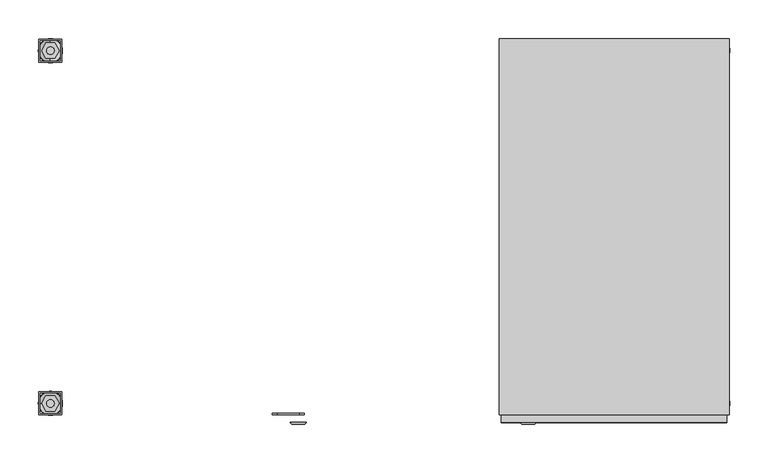
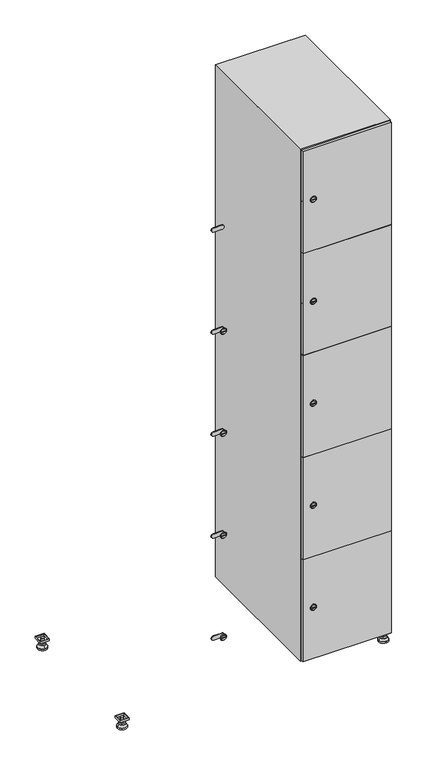
"""IFC4 building model written with IfcOpenShell, lengths in millimetres: furniture geometry."""

from ifc_helpers import new_model, si_unit, point, frame, frame_2d, origin, origin_with_axes, place, context, project, spatial, polyline, circle_curve, trimmed, segment, composite_curve, outline, extrude, faceted_brep, source, transform, mapped, element, save
from ifc_brep_helpers import plane_surface, revolved_surface, advanced_brep


def furniture_71fe49bd(model_context):
    return source(origin(), model_context, "Body", "SolidModel", [
        extrude(outline(polyline([(700.0, 245.0), (700.0, 215.0), (670.0, 215.0), (670.0, 245.0), (700.0, 245.0)]), holes=[polyline([(698.0, 243.0), (672.0, 243.0), (672.0, 217.0), (698.0, 217.0), (698.0, 243.0)])]), frame((0.0, 0.0, 28.5), z_axis=(0.0, 0.0, 1.0), x_axis=(1.0, 0.0, 0.0)), (0.0, 0.0, 1.0), 6.5),
        extrude(outline(polyline([(670.0, -245.0), (670.0, -215.0), (700.0, -215.0), (700.0, -245.0), (670.0, -245.0)]), holes=[polyline([(672.0, -243.0), (698.0, -243.0), (698.0, -217.0), (672.0, -217.0), (672.0, -243.0)])]), frame((0.0, 0.0, 28.5), z_axis=(0.0, 0.0, 1.0), x_axis=(1.0, 0.0, 0.0)), (0.0, 0.0, 1.0), 6.5),
        extrude(outline(polyline([(-170.0, 245.0), (-170.0, 215.0), (-200.0, 215.0), (-200.0, 245.0), (-170.0, 245.0)]), holes=[polyline([(-172.0, 243.0), (-198.0, 243.0), (-198.0, 217.0), (-172.0, 217.0), (-172.0, 243.0)])]), frame((0.0, 0.0, 28.5), z_axis=(0.0, 0.0, 1.0), x_axis=(1.0, 0.0, 0.0)), (0.0, 0.0, 1.0), 6.5),
        extrude(outline(polyline([(-170.0, -215.0), (-170.0, -245.0), (-200.0, -245.0), (-200.0, -215.0), (-170.0, -215.0)]), holes=[polyline([(-198.0, -243.0), (-172.0, -243.0), (-172.0, -217.0), (-198.0, -217.0), (-198.0, -243.0)])]), frame((0.0, 0.0, 28.5), z_axis=(0.0, 0.0, 1.0), x_axis=(1.0, 0.0, 0.0)), (0.0, 0.0, 1.0), 6.5),
        extrude(outline(composite_curve([segment(trimmed(circle_curve(frame_2d((-185.0, 230.0)), 5.0), [point((-180.0, 230.0))], [point((-190.0, 230.0))], False, "CARTESIAN"), True, "CONTINUOUS"), segment(trimmed(circle_curve(frame_2d((-185.0, 230.0)), 5.0), [point((-190.0, 230.0))], [point((-180.0, 230.0))], False, "CARTESIAN"), True, "CONTINUOUS")], self_intersect=False)), frame((0.0, 0.0, 19.6), z_axis=(0.0, 0.0, 1.0), x_axis=(1.0, 0.0, 0.0)), (0.0, 0.0, 1.0), 15.4),
        extrude(outline(composite_curve([segment(trimmed(circle_curve(frame_2d((-185.0, -230.0)), 5.0), [point((-180.0, -230.0))], [point((-190.0, -230.0))], False, "CARTESIAN"), True, "CONTINUOUS"), segment(trimmed(circle_curve(frame_2d((-185.0, -230.0)), 5.0), [point((-190.0, -230.0))], [point((-180.0, -230.0))], False, "CARTESIAN"), True, "CONTINUOUS")], self_intersect=False)), frame((0.0, 0.0, 19.6), z_axis=(0.0, 0.0, 1.0), x_axis=(1.0, 0.0, 0.0)), (0.0, 0.0, 1.0), 15.4),
        extrude(outline(composite_curve([segment(trimmed(circle_curve(frame_2d((685.0, 230.0)), 5.0), [point((690.0, 230.0))], [point((680.0, 230.0))], False, "CARTESIAN"), True, "CONTINUOUS"), segment(trimmed(circle_curve(frame_2d((685.0, 230.0)), 5.0), [point((680.0, 230.0))], [point((690.0, 230.0))], False, "CARTESIAN"), True, "CONTINUOUS")], self_intersect=False)), frame((0.0, 0.0, 19.6), z_axis=(0.0, 0.0, 1.0), x_axis=(1.0, 0.0, 0.0)), (0.0, 0.0, 1.0), 15.4),
        extrude(outline(polyline([(673.4529946, 230.0), (679.2264973, 240.0), (690.7735027, 240.0), (696.5470054, 230.0), (690.7735027, 220.0), (679.2264973, 220.0), (673.4529946, 230.0)])), frame((0.0, 0.0, 13.6), z_axis=(0.0, 0.0, 1.0), x_axis=(1.0, 0.0, 0.0)), (0.0, 0.0, 1.0), 6.0),
        extrude(outline(composite_curve([segment(trimmed(circle_curve(frame_2d((685.0, -230.0)), 5.0), [point((690.0, -230.0))], [point((680.0, -230.0))], False, "CARTESIAN"), True, "CONTINUOUS"), segment(trimmed(circle_curve(frame_2d((685.0, -230.0)), 5.0), [point((680.0, -230.0))], [point((690.0, -230.0))], False, "CARTESIAN"), True, "CONTINUOUS")], self_intersect=False)), frame((0.0, 0.0, 19.6), z_axis=(0.0, 0.0, 1.0), x_axis=(1.0, 0.0, 0.0)), (0.0, 0.0, 1.0), 15.4),
        extrude(outline(polyline([(673.4529946, -230.0), (679.2264973, -220.0), (690.7735027, -220.0), (696.5470054, -230.0), (690.7735027, -240.0), (679.2264973, -240.0), (673.4529946, -230.0)])), frame((0.0, 0.0, 13.6), z_axis=(0.0, 0.0, 1.0), x_axis=(1.0, 0.0, 0.0)), (0.0, 0.0, 1.0), 6.0),
        extrude(outline(composite_curve([segment(trimmed(circle_curve(frame_2d((685.0, 230.0)), 5.0), [point((690.0, 230.0))], [point((680.0, 230.0))], False, "CARTESIAN"), True, "CONTINUOUS"), segment(trimmed(circle_curve(frame_2d((685.0, 230.0)), 5.0), [point((680.0, 230.0))], [point((690.0, 230.0))], False, "CARTESIAN"), True, "CONTINUOUS")], self_intersect=False)), frame((0.0, 0.0, 12.1), z_axis=(0.0, 0.0, 1.0), x_axis=(1.0, 0.0, 0.0)), (0.0, 0.0, 1.0), 1.5),
        extrude(outline(composite_curve([segment(trimmed(circle_curve(frame_2d((685.0, -230.0)), 5.0), [point((690.0, -230.0))], [point((680.0, -230.0))], False, "CARTESIAN"), True, "CONTINUOUS"), segment(trimmed(circle_curve(frame_2d((685.0, -230.0)), 5.0), [point((680.0, -230.0))], [point((690.0, -230.0))], False, "CARTESIAN"), True, "CONTINUOUS")], self_intersect=False)), frame((0.0, 0.0, 12.1), z_axis=(0.0, 0.0, 1.0), x_axis=(1.0, 0.0, 0.0)), (0.0, 0.0, 1.0), 1.5),
        extrude(outline(polyline([(-196.5470054, 230.0), (-190.7735027, 240.0), (-179.2264973, 240.0), (-173.4529946, 230.0), (-179.2264973, 220.0), (-190.7735027, 220.0), (-196.5470054, 230.0)])), frame((0.0, 0.0, 13.6), z_axis=(0.0, 0.0, 1.0), x_axis=(1.0, 0.0, 0.0)), (0.0, 0.0, 1.0), 6.0),
        extrude(outline(polyline([(-196.5470054, -230.0), (-190.7735027, -220.0), (-179.2264973, -220.0), (-173.4529946, -230.0), (-179.2264973, -240.0), (-190.7735027, -240.0), (-196.5470054, -230.0)])), frame((0.0, 0.0, 13.6), z_axis=(0.0, 0.0, 1.0), x_axis=(1.0, 0.0, 0.0)), (0.0, 0.0, 1.0), 6.0),
        extrude(outline(composite_curve([segment(trimmed(circle_curve(frame_2d((-185.0, 230.0)), 5.0), [point((-185.0, 235.0))], [point((-185.0, 225.0))], False, "CARTESIAN"), True, "CONTINUOUS"), segment(trimmed(circle_curve(frame_2d((-185.0, 230.0)), 5.0), [point((-185.0, 225.0))], [point((-185.0, 235.0))], False, "CARTESIAN"), True, "CONTINUOUS")], self_intersect=False)), frame((0.0, 0.0, 12.1), z_axis=(0.0, 0.0, 1.0), x_axis=(1.0, 0.0, 0.0)), (0.0, 0.0, 1.0), 1.5),
        extrude(outline(composite_curve([segment(trimmed(circle_curve(frame_2d((-185.0, -230.0)), 5.0), [point((-180.0, -230.0))], [point((-190.0, -230.0))], False, "CARTESIAN"), True, "CONTINUOUS"), segment(trimmed(circle_curve(frame_2d((-185.0, -230.0)), 5.0), [point((-190.0, -230.0))], [point((-180.0, -230.0))], False, "CARTESIAN"), True, "CONTINUOUS")], self_intersect=False)), frame((0.0, 0.0, 12.1), z_axis=(0.0, 0.0, 1.0), x_axis=(1.0, 0.0, 0.0)), (0.0, 0.0, 1.0), 1.5),
        extrude(outline(composite_curve([segment(trimmed(circle_curve(frame_2d((685.0, 230.0)), 15.75), [point((700.75, 230.0))], [point((669.25, 230.0))], False, "CARTESIAN"), True, "CONTINUOUS"), segment(trimmed(circle_curve(frame_2d((685.0, 230.0)), 15.75), [point((669.25, 230.0))], [point((700.75, 230.0))], False, "CARTESIAN"), True, "CONTINUOUS")], self_intersect=False)), origin_with_axes(), (0.0, 0.0, 1.0), 5.1),
        extrude(outline(composite_curve([segment(trimmed(circle_curve(frame_2d((685.0, -230.0)), 15.75), [point((685.0, -214.25))], [point((685.0, -245.75))], False, "CARTESIAN"), True, "CONTINUOUS"), segment(trimmed(circle_curve(frame_2d((685.0, -230.0)), 15.75), [point((685.0, -245.75))], [point((685.0, -214.25))], False, "CARTESIAN"), True, "CONTINUOUS")], self_intersect=False)), origin_with_axes(), (0.0, 0.0, 1.0), 5.1),
        extrude(outline(composite_curve([segment(trimmed(circle_curve(frame_2d((-185.0, -230.0)), 15.75), [point((-169.25, -230.0))], [point((-200.75, -230.0))], False, "CARTESIAN"), True, "CONTINUOUS"), segment(trimmed(circle_curve(frame_2d((-185.0, -230.0)), 15.75), [point((-200.75, -230.0))], [point((-169.25, -230.0))], False, "CARTESIAN"), True, "CONTINUOUS")], self_intersect=False)), origin_with_axes(), (0.0, 0.0, 1.0), 5.1),
        extrude(outline(composite_curve([segment(trimmed(circle_curve(frame_2d((-185.0, 230.0)), 15.75), [point((-169.25, 230.0))], [point((-200.75, 230.0))], False, "CARTESIAN"), True, "CONTINUOUS"), segment(trimmed(circle_curve(frame_2d((-185.0, 230.0)), 15.75), [point((-200.75, 230.0))], [point((-169.25, 230.0))], False, "CARTESIAN"), True, "CONTINUOUS")], self_intersect=False)), origin_with_axes(), (0.0, 0.0, 1.0), 5.1),
        advanced_brep(
        [(-185.0, 239.5, 12.1), (-185.0, 220.5, 12.1), (-185.0, 214.25, 5.1), (-185.0, 245.75, 5.1)],
        [
            (0, 1, circle_curve(frame((-185.0, 230.0, 12.1), z_axis=(0.0, 0.0, -1.0), x_axis=(0.0, 1.0, 0.0)), 9.5)),
            (1, 2),
            (2, 3, circle_curve(frame((-185.0, 230.0, 5.1), z_axis=(0.0, 0.0, 1.0), x_axis=(0.0, 1.0, 0.0)), 15.75)),
            (3, 0),
            (1, 0, circle_curve(frame((-185.0, 230.0, 12.1), z_axis=(0.0, 0.0, -1.0), x_axis=(0.0, -1.0, 0.0)), 9.5)),
            (3, 2, circle_curve(frame((-185.0, 230.0, 5.1), z_axis=(0.0, 0.0, 1.0), x_axis=(0.0, -1.0, 0.0)), 15.75)),
        ],
        [
            revolved_surface(polyline([(-185.0, 220.5, 12.099999999999998), (-185.0, 214.25, 5.099999999999998)]), (-185.0, 230.0, 22.74), (0.0, 0.0, -1.0)),
            revolved_surface(polyline([(-185.0, 239.5, 12.099999999999998), (-185.0, 245.75, 5.099999999999998)]), (-185.0, 230.0, 22.74), (0.0, 0.0, -1.0)),
            plane_surface(frame((-185.0, 230.0, 5.1), z_axis=(0.0, 0.0, -1.0), x_axis=(1.0, 0.0, 0.0))),
            plane_surface(frame((-185.0, 230.0, 12.1), z_axis=(0.0, 0.0, 1.0), x_axis=(1.0, 0.0, 0.0))),
        ],
        [
            (0, [[1, 2, 3, 4]]),
            (1, [[5, -4, 6, -2]]),
            (2, [[-3, -6]]),
            (3, [[-5, -1]]),
        ],
    ),
        advanced_brep(
        [(685.0, 239.5, 12.1), (685.0, 220.5, 12.1), (685.0, 214.25, 5.1), (685.0, 245.75, 5.1)],
        [
            (0, 1, circle_curve(frame((685.0, 230.0, 12.1), z_axis=(0.0, 0.0, -1.0), x_axis=(0.0, 1.0, 0.0)), 9.5)),
            (1, 2),
            (2, 3, circle_curve(frame((685.0, 230.0, 5.1), z_axis=(0.0, 0.0, 1.0), x_axis=(0.0, 1.0, 0.0)), 15.75)),
            (3, 0),
            (1, 0, circle_curve(frame((685.0, 230.0, 12.1), z_axis=(0.0, 0.0, -1.0), x_axis=(0.0, -1.0, 0.0)), 9.5)),
            (3, 2, circle_curve(frame((685.0, 230.0, 5.1), z_axis=(0.0, 0.0, 1.0), x_axis=(0.0, -1.0, 0.0)), 15.75)),
        ],
        [
            revolved_surface(polyline([(685.0, 220.5, 12.099999999999998), (685.0, 214.25, 5.099999999999998)]), (685.0, 230.0, 22.74), (0.0, 0.0, -1.0)),
            revolved_surface(polyline([(685.0, 239.5, 12.099999999999998), (685.0, 245.75, 5.099999999999998)]), (685.0, 230.0, 22.74), (0.0, 0.0, -1.0)),
            plane_surface(frame((685.0, 230.0, 5.1), z_axis=(0.0, 0.0, -1.0), x_axis=(1.0, 0.0, 0.0))),
            plane_surface(frame((685.0, 230.0, 12.1), z_axis=(0.0, 0.0, 1.0), x_axis=(1.0, 0.0, 0.0))),
        ],
        [
            (0, [[1, 2, 3, 4]]),
            (1, [[5, -4, 6, -2]]),
            (2, [[-3, -6]]),
            (3, [[-5, -1]]),
        ],
    ),
        advanced_brep(
        [(700.75, -230.0, 5.1), (669.25, -230.0, 5.1), (675.5, -230.0, 12.1), (694.5, -230.0, 12.1)],
        [
            (0, 1, circle_curve(frame((685.0, -230.0, 5.1), z_axis=(0.0, 0.0, 1.0), x_axis=(1.0, 0.0, 0.0)), 15.75)),
            (1, 2),
            (2, 3, circle_curve(frame((685.0, -230.0, 12.1), z_axis=(0.0, 0.0, -1.0), x_axis=(1.0, 0.0, 0.0)), 9.5)),
            (3, 0),
            (1, 0, circle_curve(frame((685.0, -230.0, 5.1), z_axis=(0.0, 0.0, 1.0), x_axis=(-1.0, 0.0, 0.0)), 15.75)),
            (3, 2, circle_curve(frame((685.0, -230.0, 12.1), z_axis=(0.0, 0.0, -1.0), x_axis=(-1.0, 0.0, 0.0)), 9.5)),
        ],
        [
            revolved_surface(polyline([(694.5, -230.0, 12.099999999999998), (700.75, -230.0, 5.099999999999998)]), (685.0, -230.0, 22.74), (0.0, 0.0, -1.0)),
            revolved_surface(polyline([(675.5, -230.0, 12.099999999999998), (669.25, -230.0, 5.099999999999998)]), (685.0, -230.0, 22.74), (0.0, 0.0, -1.0)),
            plane_surface(frame((685.0, -230.0, 12.1), z_axis=(0.0, 0.0, 1.0), x_axis=(0.0, 1.0, 0.0))),
            plane_surface(frame((685.0, -230.0, 5.1), z_axis=(0.0, 0.0, -1.0), x_axis=(0.0, 1.0, 0.0))),
        ],
        [
            (0, [[1, 2, 3, 4]]),
            (1, [[5, -4, 6, -2]]),
            (2, [[-3, -6]]),
            (3, [[-5, -1]]),
        ],
    ),
        advanced_brep(
        [(-169.25, -230.0, 5.1), (-200.75, -230.0, 5.1), (-194.5, -230.0, 12.1), (-175.5, -230.0, 12.1)],
        [
            (0, 1, circle_curve(frame((-185.0, -230.0, 5.1), z_axis=(0.0, 0.0, 1.0), x_axis=(1.0, 0.0, 0.0)), 15.75)),
            (1, 2),
            (2, 3, circle_curve(frame((-185.0, -230.0, 12.1), z_axis=(0.0, 0.0, -1.0), x_axis=(1.0, 0.0, 0.0)), 9.5)),
            (3, 0),
            (1, 0, circle_curve(frame((-185.0, -230.0, 5.1), z_axis=(0.0, 0.0, 1.0), x_axis=(-1.0, 0.0, 0.0)), 15.75)),
            (3, 2, circle_curve(frame((-185.0, -230.0, 12.1), z_axis=(0.0, 0.0, -1.0), x_axis=(-1.0, 0.0, 0.0)), 9.5)),
        ],
        [
            revolved_surface(polyline([(-175.5, -230.0, 12.099999999999998), (-169.25, -230.0, 5.099999999999998)]), (-185.0, -230.0, 22.74), (0.0, 0.0, -1.0)),
            revolved_surface(polyline([(-194.5, -230.0, 12.099999999999998), (-200.75, -230.0, 5.099999999999998)]), (-185.0, -230.0, 22.74), (0.0, 0.0, -1.0)),
            plane_surface(frame((-185.0, -230.0, 12.1), z_axis=(0.0, 0.0, 1.0), x_axis=(0.0, 1.0, 0.0))),
            plane_surface(frame((-185.0, -230.0, 5.1), z_axis=(0.0, 0.0, -1.0), x_axis=(0.0, 1.0, 0.0))),
        ],
        [
            (0, [[1, 2, 3, 4]]),
            (1, [[5, -4, 6, -2]]),
            (2, [[-3, -6]]),
            (3, [[-5, -1]]),
        ],
    ),
        extrude(outline(composite_curve([segment(trimmed(circle_curve(frame_2d((217.4, 411.2010534)), 7.0), [point((224.4, 411.2010534))], [point((210.4, 411.2010534))], False, "CARTESIAN"), True, "CONTINUOUS"), segment(polyline([(210.4, 411.2010534), (210.4, 439.2010534)]), True, "CONTINUOUS"), segment(trimmed(circle_curve(frame_2d((217.4, 439.2010534)), 7.0), [point((210.4, 439.2010534))], [point((224.4, 439.2010534))], False, "CARTESIAN"), True, "CONTINUOUS"), segment(polyline([(224.4, 439.2010534), (224.4, 411.2010534)]), True, "CONTINUOUS")], self_intersect=False)), frame((0.0, -245.0, 0.0), z_axis=(0.0, 1.0, 0.0), x_axis=(0.0, 0.0, 1.0)), (0.0, 0.0, 1.0), 2.0),
        advanced_brep(
        [(446.5, -257.2, 217.4), (429.5, -257.2, 217.4), (433.0, -257.2, 216.15), (433.0, -257.2, 218.65), (443.0, -257.2, 218.65), (443.0, -257.2, 216.15), (448.5, -255.0, 217.4), (427.5, -255.0, 217.4), (433.0, -255.0, 218.65), (433.0, -255.0, 216.15), (443.0, -255.0, 216.15), (443.0, -255.0, 218.65)],
        [
            (0, 1, circle_curve(frame((438.0, -257.2, 217.4), z_axis=(0.0, -1.0, 0.0), x_axis=(1.0, 0.0, 0.0)), 8.5)),
            (1, 0, circle_curve(frame((438.0, -257.2, 217.4), z_axis=(0.0, -1.0, 0.0), x_axis=(-1.0, 0.0, 0.0)), 8.5)),
            (2, 3),
            (3, 4),
            (4, 5),
            (5, 2),
            (6, 7, circle_curve(frame((438.0, -255.0, 217.4), z_axis=(0.0, 1.0, 0.0), x_axis=(-1.0, 0.0, 0.0)), 10.5)),
            (7, 6, circle_curve(frame((438.0, -255.0, 217.4), z_axis=(0.0, 1.0, 0.0), x_axis=(1.0, 0.0, 0.0)), 10.5)),
            (8, 9),
            (9, 10),
            (10, 11),
            (11, 8),
            (0, 6),
            (7, 1),
            (8, 3),
            (2, 9),
            (11, 4),
            (10, 5),
        ],
        [
            plane_surface(frame((438.0, -257.2, 217.4), z_axis=(0.0, -1.0, 0.0), x_axis=(0.0, 0.0, 1.0))),
            plane_surface(frame((438.0, -255.0, 217.4), z_axis=(0.0, 1.0, 0.0), x_axis=(0.0, 0.0, 1.0))),
            revolved_surface(polyline([(446.5, -257.2, 217.4), (448.5, -255.0, 217.4)]), (438.0, -266.55, 217.4), (0.0, 1.0, 0.0)),
            revolved_surface(polyline([(429.5, -257.2, 217.4), (427.5, -255.0, 217.4)]), (438.0, -266.55, 217.4), (0.0, 1.0, 0.0)),
            plane_surface(frame((433.0, -255.0, 216.15), z_axis=(1.0, 0.0, 0.0), x_axis=(0.0, -1.0, 0.0))),
            plane_surface(frame((433.0, -255.0, 218.65), z_axis=(0.0, 0.0, -1.0), x_axis=(0.0, -1.0, 0.0))),
            plane_surface(frame((443.0, -255.0, 218.65), z_axis=(-1.0, 0.0, 0.0), x_axis=(0.0, -1.0, 0.0))),
            plane_surface(frame((443.0, -255.0, 216.15), z_axis=(0.0, 0.0, 1.0), x_axis=(0.0, -1.0, 0.0))),
        ],
        [
            (0, [[1, 2], [3, 4, 5, 6]]),
            (1, [[7, 8], [9, 10, 11, 12]]),
            (2, [[-1, 13, -8, 14]]),
            (3, [[-2, -14, -7, -13]]),
            (4, [[15, -3, 16, -9]]),
            (5, [[-15, -12, 17, -4]]),
            (6, [[-17, -11, 18, -5]]),
            (7, [[-16, -6, -18, -10]]),
        ],
    ),
        extrude(outline(composite_curve([segment(trimmed(circle_curve(frame_2d((576.2, 411.2010534)), 7.0), [point((583.2, 411.2010534))], [point((569.2, 411.2010534))], False, "CARTESIAN"), True, "CONTINUOUS"), segment(polyline([(569.2, 411.2010534), (569.2, 439.2010534)]), True, "CONTINUOUS"), segment(trimmed(circle_curve(frame_2d((576.2, 439.2010534)), 7.0), [point((569.2, 439.2010534))], [point((583.2, 439.2010534))], False, "CARTESIAN"), True, "CONTINUOUS"), segment(polyline([(583.2, 439.2010534), (583.2, 411.2010534)]), True, "CONTINUOUS")], self_intersect=False)), frame((0.0, -245.0, 0.0), z_axis=(0.0, 1.0, 0.0), x_axis=(0.0, 0.0, 1.0)), (0.0, 0.0, 1.0), 2.0),
        advanced_brep(
        [(446.5, -257.2, 576.2), (429.5, -257.2, 576.2), (433.0, -257.2, 574.95), (433.0, -257.2, 577.45), (443.0, -257.2, 577.45), (443.0, -257.2, 574.95), (448.5, -255.0, 576.2), (427.5, -255.0, 576.2), (433.0, -255.0, 577.45), (433.0, -255.0, 574.95), (443.0, -255.0, 574.95), (443.0, -255.0, 577.45)],
        [
            (0, 1, circle_curve(frame((438.0, -257.2, 576.2), z_axis=(0.0, -1.0, 0.0), x_axis=(1.0, 0.0, 0.0)), 8.5)),
            (1, 0, circle_curve(frame((438.0, -257.2, 576.2), z_axis=(0.0, -1.0, 0.0), x_axis=(-1.0, 0.0, 0.0)), 8.5)),
            (2, 3),
            (3, 4),
            (4, 5),
            (5, 2),
            (6, 7, circle_curve(frame((438.0, -255.0, 576.2), z_axis=(0.0, 1.0, 0.0), x_axis=(-1.0, 0.0, 0.0)), 10.5)),
            (7, 6, circle_curve(frame((438.0, -255.0, 576.2), z_axis=(0.0, 1.0, 0.0), x_axis=(1.0, 0.0, 0.0)), 10.5)),
            (8, 9),
            (9, 10),
            (10, 11),
            (11, 8),
            (0, 6),
            (7, 1),
            (8, 3),
            (2, 9),
            (11, 4),
            (10, 5),
        ],
        [
            plane_surface(frame((438.0, -257.2, 576.2), z_axis=(0.0, -1.0, 0.0), x_axis=(0.0, 0.0, 1.0))),
            plane_surface(frame((438.0, -255.0, 576.2), z_axis=(0.0, 1.0, 0.0), x_axis=(0.0, 0.0, 1.0))),
            revolved_surface(polyline([(446.5, -257.2, 576.2), (448.5, -255.0, 576.2)]), (438.0, -266.55, 576.2), (0.0, 1.0, 0.0)),
            revolved_surface(polyline([(429.5, -257.2, 576.2), (427.5, -255.0, 576.2)]), (438.0, -266.55, 576.2), (0.0, 1.0, 0.0)),
            plane_surface(frame((433.0, -255.0, 574.95), z_axis=(1.0, 0.0, 0.0), x_axis=(0.0, -1.0, 0.0))),
            plane_surface(frame((433.0, -255.0, 577.45), z_axis=(0.0, 0.0, -1.0), x_axis=(0.0, -1.0, 0.0))),
            plane_surface(frame((443.0, -255.0, 577.45), z_axis=(-1.0, 0.0, 0.0), x_axis=(0.0, -1.0, 0.0))),
            plane_surface(frame((443.0, -255.0, 574.95), z_axis=(0.0, 0.0, 1.0), x_axis=(0.0, -1.0, 0.0))),
        ],
        [
            (0, [[1, 2], [3, 4, 5, 6]]),
            (1, [[7, 8], [9, 10, 11, 12]]),
            (2, [[-1, 13, -8, 14]]),
            (3, [[-2, -14, -7, -13]]),
            (4, [[15, -3, 16, -9]]),
            (5, [[-15, -12, 17, -4]]),
            (6, [[-17, -11, 18, -5]]),
            (7, [[-16, -6, -18, -10]]),
        ],
    ),
        extrude(outline(composite_curve([segment(trimmed(circle_curve(frame_2d((935.0, 411.2010534)), 7.0), [point((942.0, 411.2010534))], [point((928.0, 411.2010534))], False, "CARTESIAN"), True, "CONTINUOUS"), segment(polyline([(928.0, 411.2010534), (928.0, 439.2010534)]), True, "CONTINUOUS"), segment(trimmed(circle_curve(frame_2d((935.0, 439.2010534)), 7.0), [point((928.0, 439.2010534))], [point((942.0, 439.2010534))], False, "CARTESIAN"), True, "CONTINUOUS"), segment(polyline([(942.0, 439.2010534), (942.0, 411.2010534)]), True, "CONTINUOUS")], self_intersect=False)), frame((0.0, -245.0, 0.0), z_axis=(0.0, 1.0, 0.0), x_axis=(0.0, 0.0, 1.0)), (0.0, 0.0, 1.0), 2.0),
        advanced_brep(
        [(446.5, -257.2, 935.0), (429.5, -257.2, 935.0), (433.0, -257.2, 933.75), (433.0, -257.2, 936.25), (443.0, -257.2, 936.25), (443.0, -257.2, 933.75), (448.5, -255.0, 935.0), (427.5, -255.0, 935.0), (433.0, -255.0, 936.25), (433.0, -255.0, 933.75), (443.0, -255.0, 933.75), (443.0, -255.0, 936.25)],
        [
            (0, 1, circle_curve(frame((438.0, -257.2, 935.0), z_axis=(0.0, -1.0, 0.0), x_axis=(1.0, 0.0, 0.0)), 8.5)),
            (1, 0, circle_curve(frame((438.0, -257.2, 935.0), z_axis=(0.0, -1.0, 0.0), x_axis=(-1.0, 0.0, 0.0)), 8.5)),
            (2, 3),
            (3, 4),
            (4, 5),
            (5, 2),
            (6, 7, circle_curve(frame((438.0, -255.0, 935.0), z_axis=(0.0, 1.0, 0.0), x_axis=(-1.0, 0.0, 0.0)), 10.5)),
            (7, 6, circle_curve(frame((438.0, -255.0, 935.0), z_axis=(0.0, 1.0, 0.0), x_axis=(1.0, 0.0, 0.0)), 10.5)),
            (8, 9),
            (9, 10),
            (10, 11),
            (11, 8),
            (0, 6),
            (7, 1),
            (8, 3),
            (2, 9),
            (11, 4),
            (10, 5),
        ],
        [
            plane_surface(frame((438.0, -257.2, 935.0), z_axis=(0.0, -1.0, 0.0), x_axis=(0.0, 0.0, 1.0))),
            plane_surface(frame((438.0, -255.0, 935.0), z_axis=(0.0, 1.0, 0.0), x_axis=(0.0, 0.0, 1.0))),
            revolved_surface(polyline([(446.5, -257.2, 935.0), (448.5, -255.0, 935.0)]), (438.0, -266.55, 935.0), (0.0, 1.0, 0.0)),
            revolved_surface(polyline([(429.5, -257.2, 935.0), (427.5, -255.0, 935.0)]), (438.0, -266.55, 935.0), (0.0, 1.0, 0.0)),
            plane_surface(frame((433.0, -255.0, 933.75), z_axis=(1.0, 0.0, 0.0), x_axis=(0.0, -1.0, 0.0))),
            plane_surface(frame((433.0, -255.0, 936.25), z_axis=(0.0, 0.0, -1.0), x_axis=(0.0, -1.0, 0.0))),
            plane_surface(frame((443.0, -255.0, 936.25), z_axis=(-1.0, 0.0, 0.0), x_axis=(0.0, -1.0, 0.0))),
            plane_surface(frame((443.0, -255.0, 933.75), z_axis=(0.0, 0.0, 1.0), x_axis=(0.0, -1.0, 0.0))),
        ],
        [
            (0, [[1, 2], [3, 4, 5, 6]]),
            (1, [[7, 8], [9, 10, 11, 12]]),
            (2, [[-1, 13, -8, 14]]),
            (3, [[-2, -14, -7, -13]]),
            (4, [[15, -3, 16, -9]]),
            (5, [[-15, -12, 17, -4]]),
            (6, [[-17, -11, 18, -5]]),
            (7, [[-16, -6, -18, -10]]),
        ],
    ),
        extrude(outline(composite_curve([segment(trimmed(circle_curve(frame_2d((1293.8, 411.2010534)), 7.0), [point((1300.8, 411.2010534))], [point((1286.8, 411.2010534))], False, "CARTESIAN"), True, "CONTINUOUS"), segment(polyline([(1286.8, 411.2010534), (1286.8, 439.2010534)]), True, "CONTINUOUS"), segment(trimmed(circle_curve(frame_2d((1293.8, 439.2010534)), 7.0), [point((1286.8, 439.2010534))], [point((1300.8, 439.2010534))], False, "CARTESIAN"), True, "CONTINUOUS"), segment(polyline([(1300.8, 439.2010534), (1300.8, 411.2010534)]), True, "CONTINUOUS")], self_intersect=False)), frame((0.0, -245.0, 0.0), z_axis=(0.0, 1.0, 0.0), x_axis=(0.0, 0.0, 1.0)), (0.0, 0.0, 1.0), 2.0),
        advanced_brep(
        [(446.5, -257.2, 1293.8), (429.5, -257.2, 1293.8), (433.0, -257.2, 1292.55), (433.0, -257.2, 1295.05), (443.0, -257.2, 1295.05), (443.0, -257.2, 1292.55), (448.5, -255.0, 1293.8), (427.5, -255.0, 1293.8), (433.0, -255.0, 1295.05), (433.0, -255.0, 1292.55), (443.0, -255.0, 1292.55), (443.0, -255.0, 1295.05)],
        [
            (0, 1, circle_curve(frame((438.0, -257.2, 1293.8), z_axis=(0.0, -1.0, 0.0), x_axis=(1.0, 0.0, 0.0)), 8.5)),
            (1, 0, circle_curve(frame((438.0, -257.2, 1293.8), z_axis=(0.0, -1.0, 0.0), x_axis=(-1.0, 0.0, 0.0)), 8.5)),
            (2, 3),
            (3, 4),
            (4, 5),
            (5, 2),
            (6, 7, circle_curve(frame((438.0, -255.0, 1293.8), z_axis=(0.0, 1.0, 0.0), x_axis=(-1.0, 0.0, 0.0)), 10.5)),
            (7, 6, circle_curve(frame((438.0, -255.0, 1293.8), z_axis=(0.0, 1.0, 0.0), x_axis=(1.0, 0.0, 0.0)), 10.5)),
            (8, 9),
            (9, 10),
            (10, 11),
            (11, 8),
            (0, 6),
            (7, 1),
            (8, 3),
            (2, 9),
            (11, 4),
            (10, 5),
        ],
        [
            plane_surface(frame((438.0, -257.2, 1293.8), z_axis=(0.0, -1.0, 0.0), x_axis=(0.0, 0.0, 1.0))),
            plane_surface(frame((438.0, -255.0, 1293.8), z_axis=(0.0, 1.0, 0.0), x_axis=(0.0, 0.0, 1.0))),
            revolved_surface(polyline([(446.5, -257.2, 1293.8), (448.5, -255.0, 1293.8)]), (438.0, -266.55, 1293.8), (0.0, 1.0, 0.0)),
            revolved_surface(polyline([(429.5, -257.2, 1293.8), (427.5, -255.0, 1293.8)]), (438.0, -266.55, 1293.8), (0.0, 1.0, 0.0)),
            plane_surface(frame((433.0, -255.0, 1292.55), z_axis=(1.0, 0.0, 0.0), x_axis=(0.0, -1.0, 0.0))),
            plane_surface(frame((433.0, -255.0, 1295.05), z_axis=(0.0, 0.0, -1.0), x_axis=(0.0, -1.0, 0.0))),
            plane_surface(frame((443.0, -255.0, 1295.05), z_axis=(-1.0, 0.0, 0.0), x_axis=(0.0, -1.0, 0.0))),
            plane_surface(frame((443.0, -255.0, 1292.55), z_axis=(0.0, 0.0, 1.0), x_axis=(0.0, -1.0, 0.0))),
        ],
        [
            (0, [[1, 2], [3, 4, 5, 6]]),
            (1, [[7, 8], [9, 10, 11, 12]]),
            (2, [[-1, 13, -8, 14]]),
            (3, [[-2, -14, -7, -13]]),
            (4, [[15, -3, 16, -9]]),
            (5, [[-15, -12, 17, -4]]),
            (6, [[-17, -11, 18, -5]]),
            (7, [[-16, -6, -18, -10]]),
        ],
    ),
        extrude(outline(composite_curve([segment(trimmed(circle_curve(frame_2d((1652.6, 411.2010534)), 7.0), [point((1659.6, 411.2010534))], [point((1645.6, 411.2010534))], False, "CARTESIAN"), True, "CONTINUOUS"), segment(polyline([(1645.6, 411.2010534), (1645.6, 439.2010534)]), True, "CONTINUOUS"), segment(trimmed(circle_curve(frame_2d((1652.6, 439.2010534)), 7.0), [point((1645.6, 439.2010534))], [point((1659.6, 439.2010534))], False, "CARTESIAN"), True, "CONTINUOUS"), segment(polyline([(1659.6, 439.2010534), (1659.6, 411.2010534)]), True, "CONTINUOUS")], self_intersect=False)), frame((0.0, -245.0, 0.0), z_axis=(0.0, 1.0, 0.0), x_axis=(0.0, 0.0, 1.0)), (0.0, 0.0, 1.0), 2.0),
        advanced_brep(
        [(446.5, -257.2, 1652.6), (429.5, -257.2, 1652.6), (433.0, -257.2, 1651.35), (433.0, -257.2, 1653.85), (443.0, -257.2, 1653.85), (443.0, -257.2, 1651.35), (448.5, -255.0, 1652.6), (427.5, -255.0, 1652.6), (433.0, -255.0, 1653.85), (433.0, -255.0, 1651.35), (443.0, -255.0, 1651.35), (443.0, -255.0, 1653.85)],
        [
            (0, 1, circle_curve(frame((438.0, -257.2, 1652.6), z_axis=(0.0, -1.0, 0.0), x_axis=(1.0, 0.0, 0.0)), 8.5)),
            (1, 0, circle_curve(frame((438.0, -257.2, 1652.6), z_axis=(0.0, -1.0, 0.0), x_axis=(-1.0, 0.0, 0.0)), 8.5)),
            (2, 3),
            (3, 4),
            (4, 5),
            (5, 2),
            (6, 7, circle_curve(frame((438.0, -255.0, 1652.6), z_axis=(0.0, 1.0, 0.0), x_axis=(-1.0, 0.0, 0.0)), 10.5)),
            (7, 6, circle_curve(frame((438.0, -255.0, 1652.6), z_axis=(0.0, 1.0, 0.0), x_axis=(1.0, 0.0, 0.0)), 10.5)),
            (8, 9),
            (9, 10),
            (10, 11),
            (11, 8),
            (0, 6),
            (7, 1),
            (8, 3),
            (2, 9),
            (11, 4),
            (10, 5),
        ],
        [
            plane_surface(frame((438.0, -257.2, 1652.6), z_axis=(0.0, -1.0, 0.0), x_axis=(0.0, 0.0, 1.0))),
            plane_surface(frame((438.0, -255.0, 1652.6), z_axis=(0.0, 1.0, 0.0), x_axis=(0.0, 0.0, 1.0))),
            revolved_surface(polyline([(446.5, -257.2, 1652.6), (448.5, -255.0, 1652.6)]), (438.0, -266.55, 1652.6), (0.0, 1.0, 0.0)),
            revolved_surface(polyline([(429.5, -257.2, 1652.6), (427.5, -255.0, 1652.6)]), (438.0, -266.55, 1652.6), (0.0, 1.0, 0.0)),
            plane_surface(frame((433.0, -255.0, 1651.35), z_axis=(1.0, 0.0, 0.0), x_axis=(0.0, -1.0, 0.0))),
            plane_surface(frame((433.0, -255.0, 1653.85), z_axis=(0.0, 0.0, -1.0), x_axis=(0.0, -1.0, 0.0))),
            plane_surface(frame((443.0, -255.0, 1653.85), z_axis=(-1.0, 0.0, 0.0), x_axis=(0.0, -1.0, 0.0))),
            plane_surface(frame((443.0, -255.0, 1651.35), z_axis=(0.0, 0.0, 1.0), x_axis=(0.0, -1.0, 0.0))),
        ],
        [
            (0, [[1, 2], [3, 4, 5, 6]]),
            (1, [[7, 8], [9, 10, 11, 12]]),
            (2, [[-1, 13, -8, 14]]),
            (3, [[-2, -14, -7, -13]]),
            (4, [[15, -3, 16, -9]]),
            (5, [[-15, -12, 17, -4]]),
            (6, [[-17, -11, 18, -5]]),
            (7, [[-16, -6, -18, -10]]),
        ],
    ),
        extrude(outline(polyline([(697.0, -245.0), (697.0, -255.0), (403.0, -255.0), (403.0, -245.0), (697.0, -245.0)])), frame((0.0, 0.0, 755.1), z_axis=(0.0, 0.0, 1.0), x_axis=(1.0, 0.0, 0.0)), (0.0, 0.0, 1.0), 359.8),
        extrude(outline(polyline([(697.0, -245.0), (697.0, -255.0), (403.0, -255.0), (403.0, -245.0), (697.0, -245.0)])), frame((0.0, 0.0, 396.3), z_axis=(0.0, 0.0, 1.0), x_axis=(1.0, 0.0, 0.0)), (0.0, 0.0, 1.0), 359.8),
        extrude(outline(polyline([(697.0, -245.0), (697.0, -255.0), (403.0, -255.0), (403.0, -245.0), (697.0, -245.0)])), frame((0.0, 0.0, 1113.9), z_axis=(0.0, 0.0, 1.0), x_axis=(1.0, 0.0, 0.0)), (0.0, 0.0, 1.0), 358.8),
        extrude(outline(polyline([(403.0, -255.0), (403.0, -245.0), (697.0, -245.0), (697.0, -255.0), (403.0, -255.0)])), frame((0.0, 0.0, 1473.7), z_axis=(0.0, 0.0, 1.0), x_axis=(1.0, 0.0, 0.0)), (0.0, 0.0, 1.0), 358.3),
        extrude(outline(polyline([(697.0, -245.0), (697.0, -255.0), (403.0, -255.0), (403.0, -245.0), (697.0, -245.0)])), frame((0.0, 0.0, 38.0), z_axis=(0.0, 0.0, 1.0), x_axis=(1.0, 0.0, 0.0)), (0.0, 0.0, 1.0), 359.3),
        extrude(outline(polyline([(679.6, 242.0), (679.6, -235.0), (420.4, -235.0), (420.4, 242.0), (679.6, 242.0)])), frame((0.0, 0.0, 1446.68), z_axis=(0.0, 0.0, 1.0), x_axis=(1.0, 0.0, 0.0)), (0.0, 0.0, 1.0), 20.4),
        extrude(outline(polyline([(679.6, 242.0), (679.6, -235.0), (420.4, -235.0), (420.4, 242.0), (679.6, 242.0)])), frame((0.0, 0.0, 1098.76), z_axis=(0.0, 0.0, 1.0), x_axis=(1.0, 0.0, 0.0)), (0.0, 0.0, 1.0), 20.4),
        extrude(outline(polyline([(679.6, 242.0), (679.6, -235.0), (420.4, -235.0), (420.4, 242.0), (679.6, 242.0)])), frame((0.0, 0.0, 750.84), z_axis=(0.0, 0.0, 1.0), x_axis=(1.0, 0.0, 0.0)), (0.0, 0.0, 1.0), 20.4),
        extrude(outline(polyline([(420.4, 242.0), (679.6, 242.0), (679.6, -235.0), (420.4, -235.0), (420.4, 242.0)])), frame((0.0, 0.0, 402.92), z_axis=(0.0, 0.0, 1.0), x_axis=(1.0, 0.0, 0.0)), (0.0, 0.0, 1.0), 20.4),
        faceted_brep([(700.0, -245.0, 35.0), (700.0, -245.0, 1835.0), (400.0, -245.0, 1835.0), (400.0, -245.0, 35.0), (679.6, -245.0, 1804.8), (679.6, -245.0, 65.2), (420.4, -245.0, 65.2), (420.4, -245.0, 1804.8), (700.0, 245.0, 35.0), (400.0, 245.0, 35.0), (700.0, 245.0, 1835.0), (400.0, 245.0, 1835.0), (679.6, 242.0, 1804.8), (679.6, 242.0, 65.2), (400.0, 245.0, 1804.8), (420.4, 242.0, 1804.8), (420.4, 242.0, 65.2)], [[[0, 1, 2, 3], [4, 5, 6, 7]], [[8, 0, 3, 9]], [[1, 0, 8, 10]], [[1, 10, 11, 2]], [[4, 12, 13, 5]], [[9, 3, 2, 11, 14]], [[10, 8, 9, 14, 11]], [[12, 15, 16, 13]], [[15, 7, 6, 16]], [[4, 7, 15, 12]], [[6, 5, 13, 16]]]),
        extrude(outline(composite_curve([segment(trimmed(circle_curve(frame_2d((217.4, 111.2010534)), 7.0), [point((224.4, 111.2010534))], [point((210.4, 111.2010534))], False, "CARTESIAN"), True, "CONTINUOUS"), segment(polyline([(210.4, 111.2010534), (210.4, 139.2010534)]), True, "CONTINUOUS"), segment(trimmed(circle_curve(frame_2d((217.4, 139.2010534)), 7.0), [point((210.4, 139.2010534))], [point((224.4, 139.2010534))], False, "CARTESIAN"), True, "CONTINUOUS"), segment(polyline([(224.4, 139.2010534), (224.4, 111.2010534)]), True, "CONTINUOUS")], self_intersect=False)), frame((0.0, -245.0, 0.0), z_axis=(0.0, 1.0, 0.0), x_axis=(0.0, 0.0, 1.0)), (0.0, 0.0, 1.0), 2.0),
        advanced_brep(
        [(146.5, -257.2, 217.4), (129.5, -257.2, 217.4), (133.0, -257.2, 216.15), (133.0, -257.2, 218.65), (143.0, -257.2, 218.65), (143.0, -257.2, 216.15), (148.5, -255.0, 217.4), (127.5, -255.0, 217.4), (133.0, -255.0, 218.65), (133.0, -255.0, 216.15), (143.0, -255.0, 216.15), (143.0, -255.0, 218.65)],
        [
            (0, 1, circle_curve(frame((138.0, -257.2, 217.4), z_axis=(0.0, -1.0, 0.0), x_axis=(1.0, 0.0, 0.0)), 8.5)),
            (1, 0, circle_curve(frame((138.0, -257.2, 217.4), z_axis=(0.0, -1.0, 0.0), x_axis=(-1.0, 0.0, 0.0)), 8.5)),
            (2, 3),
            (3, 4),
            (4, 5),
            (5, 2),
            (6, 7, circle_curve(frame((138.0, -255.0, 217.4), z_axis=(0.0, 1.0, 0.0), x_axis=(-1.0, 0.0, 0.0)), 10.5)),
            (7, 6, circle_curve(frame((138.0, -255.0, 217.4), z_axis=(0.0, 1.0, 0.0), x_axis=(1.0, 0.0, 0.0)), 10.5)),
            (8, 9),
            (9, 10),
            (10, 11),
            (11, 8),
            (0, 6),
            (7, 1),
            (8, 3),
            (2, 9),
            (11, 4),
            (10, 5),
        ],
        [
            plane_surface(frame((138.0, -257.2, 217.4), z_axis=(0.0, -1.0, 0.0), x_axis=(0.0, 0.0, 1.0))),
            plane_surface(frame((138.0, -255.0, 217.4), z_axis=(0.0, 1.0, 0.0), x_axis=(0.0, 0.0, 1.0))),
            revolved_surface(polyline([(146.5, -257.2, 217.4), (148.5, -255.0, 217.4)]), (138.0, -266.55, 217.4), (0.0, 1.0, 0.0)),
            revolved_surface(polyline([(129.5, -257.2, 217.4), (127.5, -255.0, 217.4)]), (138.0, -266.55, 217.4), (0.0, 1.0, 0.0)),
            plane_surface(frame((133.0, -255.0, 216.15), z_axis=(1.0, 0.0, 0.0), x_axis=(0.0, -1.0, 0.0))),
            plane_surface(frame((133.0, -255.0, 218.65), z_axis=(0.0, 0.0, -1.0), x_axis=(0.0, -1.0, 0.0))),
            plane_surface(frame((143.0, -255.0, 218.65), z_axis=(-1.0, 0.0, 0.0), x_axis=(0.0, -1.0, 0.0))),
            plane_surface(frame((143.0, -255.0, 216.15), z_axis=(0.0, 0.0, 1.0), x_axis=(0.0, -1.0, 0.0))),
        ],
        [
            (0, [[1, 2], [3, 4, 5, 6]]),
            (1, [[7, 8], [9, 10, 11, 12]]),
            (2, [[-1, 13, -8, 14]]),
            (3, [[-2, -14, -7, -13]]),
            (4, [[15, -3, 16, -9]]),
            (5, [[-15, -12, 17, -4]]),
            (6, [[-17, -11, 18, -5]]),
            (7, [[-16, -6, -18, -10]]),
        ],
    ),
        extrude(outline(composite_curve([segment(trimmed(circle_curve(frame_2d((576.2, 111.2010534)), 7.0), [point((583.2, 111.2010534))], [point((569.2, 111.2010534))], False, "CARTESIAN"), True, "CONTINUOUS"), segment(polyline([(569.2, 111.2010534), (569.2, 139.2010534)]), True, "CONTINUOUS"), segment(trimmed(circle_curve(frame_2d((576.2, 139.2010534)), 7.0), [point((569.2, 139.2010534))], [point((583.2, 139.2010534))], False, "CARTESIAN"), True, "CONTINUOUS"), segment(polyline([(583.2, 139.2010534), (583.2, 111.2010534)]), True, "CONTINUOUS")], self_intersect=False)), frame((0.0, -245.0, 0.0), z_axis=(0.0, 1.0, 0.0), x_axis=(0.0, 0.0, 1.0)), (0.0, 0.0, 1.0), 2.0),
        advanced_brep(
        [(146.5, -257.2, 576.2), (129.5, -257.2, 576.2), (133.0, -257.2, 574.95), (133.0, -257.2, 577.45), (143.0, -257.2, 577.45), (143.0, -257.2, 574.95), (148.5, -255.0, 576.2), (127.5, -255.0, 576.2), (133.0, -255.0, 577.45), (133.0, -255.0, 574.95), (143.0, -255.0, 574.95), (143.0, -255.0, 577.45)],
        [
            (0, 1, circle_curve(frame((138.0, -257.2, 576.2), z_axis=(0.0, -1.0, 0.0), x_axis=(1.0, 0.0, 0.0)), 8.5)),
            (1, 0, circle_curve(frame((138.0, -257.2, 576.2), z_axis=(0.0, -1.0, 0.0), x_axis=(-1.0, 0.0, 0.0)), 8.5)),
            (2, 3),
            (3, 4),
            (4, 5),
            (5, 2),
            (6, 7, circle_curve(frame((138.0, -255.0, 576.2), z_axis=(0.0, 1.0, 0.0), x_axis=(-1.0, 0.0, 0.0)), 10.5)),
            (7, 6, circle_curve(frame((138.0, -255.0, 576.2), z_axis=(0.0, 1.0, 0.0), x_axis=(1.0, 0.0, 0.0)), 10.5)),
            (8, 9),
            (9, 10),
            (10, 11),
            (11, 8),
            (0, 6),
            (7, 1),
            (8, 3),
            (2, 9),
            (11, 4),
            (10, 5),
        ],
        [
            plane_surface(frame((138.0, -257.2, 576.2), z_axis=(0.0, -1.0, 0.0), x_axis=(0.0, 0.0, 1.0))),
            plane_surface(frame((138.0, -255.0, 576.2), z_axis=(0.0, 1.0, 0.0), x_axis=(0.0, 0.0, 1.0))),
            revolved_surface(polyline([(146.5, -257.2, 576.2), (148.5, -255.0, 576.2)]), (138.0, -266.55, 576.2), (0.0, 1.0, 0.0)),
            revolved_surface(polyline([(129.5, -257.2, 576.2), (127.5, -255.0, 576.2)]), (138.0, -266.55, 576.2), (0.0, 1.0, 0.0)),
            plane_surface(frame((133.0, -255.0, 574.95), z_axis=(1.0, 0.0, 0.0), x_axis=(0.0, -1.0, 0.0))),
            plane_surface(frame((133.0, -255.0, 577.45), z_axis=(0.0, 0.0, -1.0), x_axis=(0.0, -1.0, 0.0))),
            plane_surface(frame((143.0, -255.0, 577.45), z_axis=(-1.0, 0.0, 0.0), x_axis=(0.0, -1.0, 0.0))),
            plane_surface(frame((143.0, -255.0, 574.95), z_axis=(0.0, 0.0, 1.0), x_axis=(0.0, -1.0, 0.0))),
        ],
        [
            (0, [[1, 2], [3, 4, 5, 6]]),
            (1, [[7, 8], [9, 10, 11, 12]]),
            (2, [[-1, 13, -8, 14]]),
            (3, [[-2, -14, -7, -13]]),
            (4, [[15, -3, 16, -9]]),
            (5, [[-15, -12, 17, -4]]),
            (6, [[-17, -11, 18, -5]]),
            (7, [[-16, -6, -18, -10]]),
        ],
    ),
        extrude(outline(composite_curve([segment(trimmed(circle_curve(frame_2d((935.0, 111.2010534)), 7.0), [point((942.0, 111.2010534))], [point((928.0, 111.2010534))], False, "CARTESIAN"), True, "CONTINUOUS"), segment(polyline([(928.0, 111.2010534), (928.0, 139.2010534)]), True, "CONTINUOUS"), segment(trimmed(circle_curve(frame_2d((935.0, 139.2010534)), 7.0), [point((928.0, 139.2010534))], [point((942.0, 139.2010534))], False, "CARTESIAN"), True, "CONTINUOUS"), segment(polyline([(942.0, 139.2010534), (942.0, 111.2010534)]), True, "CONTINUOUS")], self_intersect=False)), frame((0.0, -245.0, 0.0), z_axis=(0.0, 1.0, 0.0), x_axis=(0.0, 0.0, 1.0)), (0.0, 0.0, 1.0), 2.0),
        advanced_brep(
        [(146.5, -257.2, 935.0), (129.5, -257.2, 935.0), (133.0, -257.2, 933.75), (133.0, -257.2, 936.25), (143.0, -257.2, 936.25), (143.0, -257.2, 933.75), (148.5, -255.0, 935.0), (127.5, -255.0, 935.0), (133.0, -255.0, 936.25), (133.0, -255.0, 933.75), (143.0, -255.0, 933.75), (143.0, -255.0, 936.25)],
        [
            (0, 1, circle_curve(frame((138.0, -257.2, 935.0), z_axis=(0.0, -1.0, 0.0), x_axis=(1.0, 0.0, 0.0)), 8.5)),
            (1, 0, circle_curve(frame((138.0, -257.2, 935.0), z_axis=(0.0, -1.0, 0.0), x_axis=(-1.0, 0.0, 0.0)), 8.5)),
            (2, 3),
            (3, 4),
            (4, 5),
            (5, 2),
            (6, 7, circle_curve(frame((138.0, -255.0, 935.0), z_axis=(0.0, 1.0, 0.0), x_axis=(-1.0, 0.0, 0.0)), 10.5)),
            (7, 6, circle_curve(frame((138.0, -255.0, 935.0), z_axis=(0.0, 1.0, 0.0), x_axis=(1.0, 0.0, 0.0)), 10.5)),
            (8, 9),
            (9, 10),
            (10, 11),
            (11, 8),
            (0, 6),
            (7, 1),
            (8, 3),
            (2, 9),
            (11, 4),
            (10, 5),
        ],
        [
            plane_surface(frame((138.0, -257.2, 935.0), z_axis=(0.0, -1.0, 0.0), x_axis=(0.0, 0.0, 1.0))),
            plane_surface(frame((138.0, -255.0, 935.0), z_axis=(0.0, 1.0, 0.0), x_axis=(0.0, 0.0, 1.0))),
            revolved_surface(polyline([(146.5, -257.2, 935.0), (148.5, -255.0, 935.0)]), (138.0, -266.55, 935.0), (0.0, 1.0, 0.0)),
            revolved_surface(polyline([(129.5, -257.2, 935.0), (127.5, -255.0, 935.0)]), (138.0, -266.55, 935.0), (0.0, 1.0, 0.0)),
            plane_surface(frame((133.0, -255.0, 933.75), z_axis=(1.0, 0.0, 0.0), x_axis=(0.0, -1.0, 0.0))),
            plane_surface(frame((133.0, -255.0, 936.25), z_axis=(0.0, 0.0, -1.0), x_axis=(0.0, -1.0, 0.0))),
            plane_surface(frame((143.0, -255.0, 936.25), z_axis=(-1.0, 0.0, 0.0), x_axis=(0.0, -1.0, 0.0))),
            plane_surface(frame((143.0, -255.0, 933.75), z_axis=(0.0, 0.0, 1.0), x_axis=(0.0, -1.0, 0.0))),
        ],
        [
            (0, [[1, 2], [3, 4, 5, 6]]),
            (1, [[7, 8], [9, 10, 11, 12]]),
            (2, [[-1, 13, -8, 14]]),
            (3, [[-2, -14, -7, -13]]),
            (4, [[15, -3, 16, -9]]),
            (5, [[-15, -12, 17, -4]]),
            (6, [[-17, -11, 18, -5]]),
            (7, [[-16, -6, -18, -10]]),
        ],
    ),
        extrude(outline(composite_curve([segment(trimmed(circle_curve(frame_2d((1293.8, 111.2010534)), 7.0), [point((1300.8, 111.2010534))], [point((1286.8, 111.2010534))], False, "CARTESIAN"), True, "CONTINUOUS"), segment(polyline([(1286.8, 111.2010534), (1286.8, 139.2010534)]), True, "CONTINUOUS"), segment(trimmed(circle_curve(frame_2d((1293.8, 139.2010534)), 7.0), [point((1286.8, 139.2010534))], [point((1300.8, 139.2010534))], False, "CARTESIAN"), True, "CONTINUOUS"), segment(polyline([(1300.8, 139.2010534), (1300.8, 111.2010534)]), True, "CONTINUOUS")], self_intersect=False)), frame((0.0, -245.0, 0.0), z_axis=(0.0, 1.0, 0.0), x_axis=(0.0, 0.0, 1.0)), (0.0, 0.0, 1.0), 2.0),
        advanced_brep(
        [(146.5, -257.2, 1293.8), (129.5, -257.2, 1293.8), (133.0, -257.2, 1292.55), (133.0, -257.2, 1295.05), (143.0, -257.2, 1295.05), (143.0, -257.2, 1292.55), (148.5, -255.0, 1293.8), (127.5, -255.0, 1293.8), (133.0, -255.0, 1295.05), (133.0, -255.0, 1292.55), (143.0, -255.0, 1292.55), (143.0, -255.0, 1295.05)],
        [
            (0, 1, circle_curve(frame((138.0, -257.2, 1293.8), z_axis=(0.0, -1.0, 0.0), x_axis=(1.0, 0.0, 0.0)), 8.5)),
            (1, 0, circle_curve(frame((138.0, -257.2, 1293.8), z_axis=(0.0, -1.0, 0.0), x_axis=(-1.0, 0.0, 0.0)), 8.5)),
            (2, 3),
            (3, 4),
            (4, 5),
            (5, 2),
            (6, 7, circle_curve(frame((138.0, -255.0, 1293.8), z_axis=(0.0, 1.0, 0.0), x_axis=(-1.0, 0.0, 0.0)), 10.5)),
            (7, 6, circle_curve(frame((138.0, -255.0, 1293.8), z_axis=(0.0, 1.0, 0.0), x_axis=(1.0, 0.0, 0.0)), 10.5)),
            (8, 9),
            (9, 10),
            (10, 11),
            (11, 8),
            (0, 6),
            (7, 1),
            (8, 3),
            (2, 9),
            (11, 4),
            (10, 5),
        ],
        [
            plane_surface(frame((138.0, -257.2, 1293.8), z_axis=(0.0, -1.0, 0.0), x_axis=(0.0, 0.0, 1.0))),
            plane_surface(frame((138.0, -255.0, 1293.8), z_axis=(0.0, 1.0, 0.0), x_axis=(0.0, 0.0, 1.0))),
            revolved_surface(polyline([(146.5, -257.2, 1293.8), (148.5, -255.0, 1293.8)]), (138.0, -266.55, 1293.8), (0.0, 1.0, 0.0)),
            revolved_surface(polyline([(129.5, -257.2, 1293.8), (127.5, -255.0, 1293.8)]), (138.0, -266.55, 1293.8), (0.0, 1.0, 0.0)),
            plane_surface(frame((133.0, -255.0, 1292.55), z_axis=(1.0, 0.0, 0.0), x_axis=(0.0, -1.0, 0.0))),
            plane_surface(frame((133.0, -255.0, 1295.05), z_axis=(0.0, 0.0, -1.0), x_axis=(0.0, -1.0, 0.0))),
            plane_surface(frame((143.0, -255.0, 1295.05), z_axis=(-1.0, 0.0, 0.0), x_axis=(0.0, -1.0, 0.0))),
            plane_surface(frame((143.0, -255.0, 1292.55), z_axis=(0.0, 0.0, 1.0), x_axis=(0.0, -1.0, 0.0))),
        ],
        [
            (0, [[1, 2], [3, 4, 5, 6]]),
            (1, [[7, 8], [9, 10, 11, 12]]),
            (2, [[-1, 13, -8, 14]]),
            (3, [[-2, -14, -7, -13]]),
            (4, [[15, -3, 16, -9]]),
            (5, [[-15, -12, 17, -4]]),
            (6, [[-17, -11, 18, -5]]),
            (7, [[-16, -6, -18, -10]]),
        ],
    ),
        extrude(outline(composite_curve([segment(trimmed(circle_curve(frame_2d((1652.6, 111.2010534)), 7.0), [point((1659.6, 111.2010534))], [point((1645.6, 111.2010534))], False, "CARTESIAN"), True, "CONTINUOUS"), segment(polyline([(1645.6, 111.2010534), (1645.6, 139.2010534)]), True, "CONTINUOUS"), segment(trimmed(circle_curve(frame_2d((1652.6, 139.2010534)), 7.0), [point((1645.6, 139.2010534))], [point((1659.6, 139.2010534))], False, "CARTESIAN"), True, "CONTINUOUS"), segment(polyline([(1659.6, 139.2010534), (1659.6, 111.2010534)]), True, "CONTINUOUS")], self_intersect=False)), frame((0.0, -245.0, 0.0), z_axis=(0.0, 1.0, 0.0), x_axis=(0.0, 0.0, 1.0)), (0.0, 0.0, 1.0), 2.0),
    ])


if __name__ == "__main__":
    model = new_model("IFC4")
    model_context = context("Model", 3, world=origin())
    ifc_project = project(units=[si_unit("LENGTHUNIT", "METRE", prefix="MILLI")], contexts=[model_context])
    site = spatial("IfcSite", under=ifc_project)
    building = spatial("IfcBuilding", under=site)
    placement = place(None, origin())
    furniture_shape = furniture_71fe49bd(model_context)
    element("IfcFurniture", 1, at=placement, inside=building, context=model_context, shape_type="MappedRepresentation", body=[
        mapped(furniture_shape, transform((0.0, 0.0, 0.0), x_axis=(1.0, 0.0, 0.0), y_axis=(0.0, 1.0, 0.0), z_axis=(0.0, 0.0, 1.0))),
    ])
    save(model, "model.ifc")
